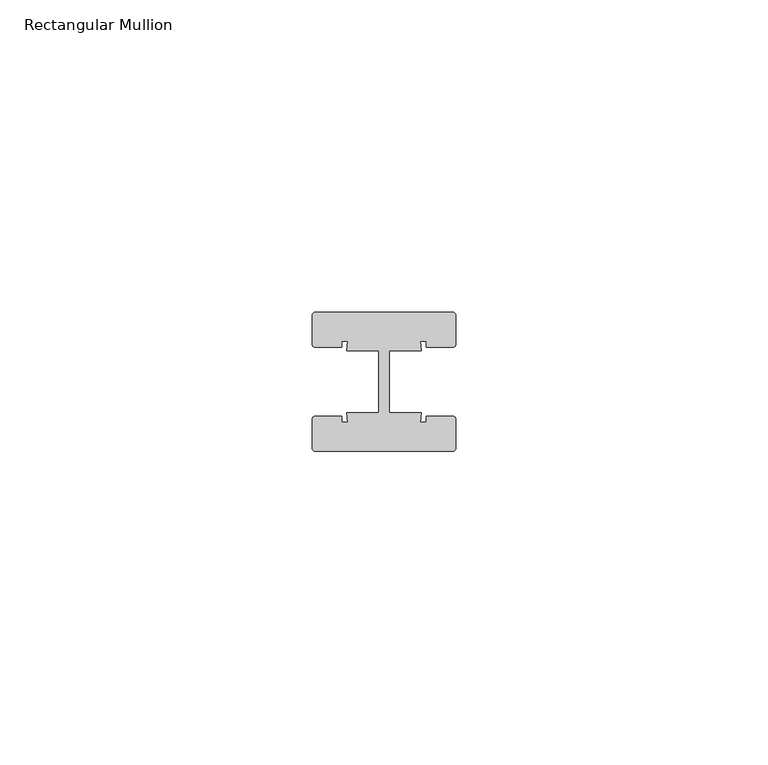
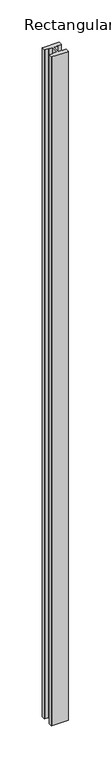
"""IFC4 building model written with IfcOpenShell, lengths in millimetres: member geometry, Rectangular Mullion."""

import ifcopenshell
import ifcopenshell.guid

model = None  # the IFC model being written
_history = None  # IfcOwnerHistory: only IFC2X3 demands one
_inside = {}  # id of a spatial element -> (the spatial element, [elements in it])
_under = {}  # id of a project, library or spatial element -> (it, [spatial elements below it])
_declared = {}  # id of a project -> (the project, [libraries it declares])
_typed = {}  # id of a type object -> (the type object, [elements of that type])
_made_of = {}  # id of a material, layer set ... -> (it, [elements and type objects made of it])


def new_model(schema):
    """Start an empty IFC model of exactly this schema.

    Asked for "IFC4X3", IfcOpenShell would pick the latest addendum, in which some entities
    have other attributes; the version numbers below select the first issue.
    IFC2X3 requires an IfcOwnerHistory on every rooted entity: one is made here for all.
    """
    global model, _history
    if schema == "IFC4X3":
        model = ifcopenshell.file(schema_version=(4, 3, 0, 0))
    else:
        model = ifcopenshell.file(schema=schema)
    _inside.clear()
    _under.clear()
    _declared.clear()
    _typed.clear()
    _made_of.clear()
    _history = None
    if model.schema == "IFC2X3":
        org = make("IfcOrganization", Name="unknown")
        user = make(
            "IfcPersonAndOrganization",
            ThePerson=make("IfcPerson", FamilyName="unknown"),
            TheOrganization=org,
        )
        app = make(
            "IfcApplication",
            ApplicationDeveloper=org,
            Version="unknown",
            ApplicationFullName="unknown",
            ApplicationIdentifier="unknown",
        )
        _history = make(
            "IfcOwnerHistory",
            OwningUser=user,
            OwningApplication=app,
            ChangeAction="ADDED",
            CreationDate=0,
        )
    return model


def make(cls, **values):
    """One entity of the class cls with the attributes given. An attribute that is None is left unset."""
    return model.create_entity(
        cls, **{name: value for name, value in values.items() if value is not None}
    )


def rooted(cls, **values):
    """An entity with a GlobalId (a new one), such as an element, a storey or a relation."""
    return make(cls, GlobalId=ifcopenshell.guid.new(), OwnerHistory=_history, **values)


def si_unit(unit_type, name, prefix=None):
    """IfcSIUnit, for example si_unit("LENGTHUNIT", "METRE", prefix="MILLI")."""
    return make("IfcSIUnit", UnitType=unit_type, Prefix=prefix, Name=name)


def assignment(units):
    """IfcUnitAssignment: the units of a project."""
    return None if units is None else make("IfcUnitAssignment", Units=units)


def point(xyz):
    """IfcCartesianPoint."""
    return None if xyz is None else make("IfcCartesianPoint", Coordinates=xyz)


def direction(xyz):
    """IfcDirection."""
    return None if xyz is None else make("IfcDirection", DirectionRatios=xyz)


def frame(location, z_axis=None, x_axis=None):
    """IfcAxis2Placement3D, a coordinate frame: its origin and axes. An axis left out is left unset."""
    return make(
        "IfcAxis2Placement3D",
        Location=point(location),
        Axis=direction(z_axis),
        RefDirection=direction(x_axis),
    )


def frame_2d(location, x_axis=None):
    """IfcAxis2Placement2D, a coordinate frame in the plane: its origin and x axis."""
    return make(
        "IfcAxis2Placement2D", Location=point(location), RefDirection=direction(x_axis)
    )


def origin():
    """The frame at (0, 0, 0) with its axes left unset."""
    return frame((0.0, 0.0, 0.0))


def place(relative_to, where):
    """IfcLocalPlacement: puts the frame where relative to a parent placement (None: the world)."""
    return make(
        "IfcLocalPlacement", PlacementRelTo=relative_to, RelativePlacement=where
    )


def context(
    kind, dimensions, precision=None, world=None, true_north=None, identifier=None
):
    """IfcGeometricRepresentationContext, for example the 3D "Model" context."""
    return make(
        "IfcGeometricRepresentationContext",
        ContextIdentifier=identifier,
        ContextType=kind,
        CoordinateSpaceDimension=dimensions,
        Precision=precision,
        WorldCoordinateSystem=world,
        TrueNorth=true_north,
    )


def project(units=None, contexts=None):
    """IfcProject with its units and contexts."""
    return rooted(
        "IfcProject",
        Name="project",
        RepresentationContexts=contexts,
        UnitsInContext=assignment(units),
    )


def spatial(cls, under=None, at=None, **own):
    """A site, building, storey or space (cls), placed at a placement, below another one or the project."""
    s = rooted(cls, ObjectPlacement=at, **own)
    if under is not None:
        _under.setdefault(under.id(), (under, []))[1].append(s)
    return s


def polyline(points):
    """IfcPolyline through the points."""
    return make("IfcPolyline", Points=[point(p) for p in points])


def circle_curve(where, radius):
    """IfcCircle in the frame where."""
    return make("IfcCircle", Position=where, Radius=radius)


def trimmed(basis, trim1, trim2, sense, master):
    """IfcTrimmedCurve: the piece of a basis curve between two trims."""
    return make(
        "IfcTrimmedCurve",
        BasisCurve=basis,
        Trim1=trim1,
        Trim2=trim2,
        SenseAgreement=sense,
        MasterRepresentation=master,
    )


def segment(curve, same_sense, transition):
    """IfcCompositeCurveSegment."""
    return make(
        "IfcCompositeCurveSegment",
        Transition=transition,
        SameSense=same_sense,
        ParentCurve=curve,
    )


def composite_curve(segments, self_intersect=None):
    """IfcCompositeCurve: segments joined end to end."""
    return make("IfcCompositeCurve", Segments=segments, SelfIntersect=self_intersect)


def outline(outer, holes=None, kind="AREA"):
    """IfcArbitraryClosedProfileDef: a profile drawn as a closed curve; with holes, ...WithVoids."""
    if holes is None:
        return make("IfcArbitraryClosedProfileDef", ProfileType=kind, OuterCurve=outer)
    return make(
        "IfcArbitraryProfileDefWithVoids",
        ProfileType=kind,
        OuterCurve=outer,
        InnerCurves=holes,
    )


def extrude(swept, where, along, depth):
    """IfcExtrudedAreaSolid: the profile swept, set in the frame where, extruded along a direction by depth."""
    return make(
        "IfcExtrudedAreaSolid",
        SweptArea=swept,
        Position=where,
        ExtrudedDirection=direction(along),
        Depth=depth,
    )


def shape(context_of_items, identifier, shape_type, items):
    """IfcShapeRepresentation: the items that make up one representation, for example the "Body"."""
    return make(
        "IfcShapeRepresentation",
        ContextOfItems=context_of_items,
        RepresentationIdentifier=identifier,
        RepresentationType=shape_type,
        Items=items,
    )


def source(mapping_origin, context_of_items, identifier, shape_type, items):
    """IfcRepresentationMap: a shape defined once, which mapped items show again and again."""
    return make(
        "IfcRepresentationMap",
        MappingOrigin=mapping_origin,
        MappedRepresentation=shape(context_of_items, identifier, shape_type, items),
    )


def transform(
    local_origin,
    x_axis=None,
    y_axis=None,
    z_axis=None,
    scale=None,
    scale2=None,
    scale3=None,
    uniform=True,
):
    """IfcCartesianTransformationOperator3D, or its non-uniform kind. x_axis, y_axis, z_axis: its Axis1, 2, 3."""
    if uniform:
        return make(
            "IfcCartesianTransformationOperator3D",
            Axis1=direction(x_axis),
            Axis2=direction(y_axis),
            LocalOrigin=point(local_origin),
            Scale=scale,
            Axis3=direction(z_axis),
        )
    return make(
        "IfcCartesianTransformationOperator3DnonUniform",
        Axis1=direction(x_axis),
        Axis2=direction(y_axis),
        LocalOrigin=point(local_origin),
        Scale=scale,
        Axis3=direction(z_axis),
        Scale2=scale2,
        Scale3=scale3,
    )


def mapped(mapping_source, mapping_target):
    """IfcMappedItem: shows the shape of a source again, moved by a transform."""
    return make(
        "IfcMappedItem", MappingSource=mapping_source, MappingTarget=mapping_target
    )


def made_of(thing, what):
    """Note that an element or type object is made of a material, layer set ...; save() writes the relation."""
    if what is not None:
        _made_of.setdefault(what.id(), (what, []))[1].append(thing)
    return thing


def element(
    cls,
    number,
    at=None,
    inside=None,
    cuts=None,
    type_object=None,
    material=None,
    context=None,
    identifier="Body",
    shape_type=None,
    held_by="IfcProductDefinitionShape",
    body=None,
    shapes=None,
    **own,
):
    """One element of the class cls, such as IfcWall. Its Tag is "e" and its number.

    at: its placement. inside: the storey or other place that contains it. cuts: it is an
    opening in that element (IfcRelVoidsElement). A single representation is given by context,
    identifier, shape_type and body (its items); several are given by shapes. held_by: the class
    of the entity that holds the representations. save() writes the other relations.
    """
    e = rooted(cls, Tag="e%d" % number, ObjectPlacement=at, **own)
    if body is not None:
        shapes = [shape(context, identifier, shape_type, body)]
    if shapes is not None:
        e.Representation = make(held_by, Representations=shapes)
    if inside is not None:
        _inside.setdefault(inside.id(), (inside, []))[1].append(e)
    if cuts is not None:
        rooted(
            "IfcRelVoidsElement", RelatingBuildingElement=cuts, RelatedOpeningElement=e
        )
    if type_object is not None:
        _typed.setdefault(type_object.id(), (type_object, []))[1].append(e)
    return made_of(e, material)


def aggregate(whole, parts):
    """IfcRelAggregates: a whole, such as a stair, and the parts it consists of."""
    return rooted("IfcRelAggregates", RelatingObject=whole, RelatedObjects=parts)


def save(model, path):
    """Write the relations noted so far, then the file.

    IfcRelAggregates (storeys below a building ...), IfcRelContainedInSpatialStructure (elements
    in a storey), IfcRelDefinesByType, IfcRelAssociatesMaterial and IfcRelDeclares: one each for
    every whole, place, type object, material and project.
    """
    for whole, parts in _under.values():
        aggregate(whole, parts)
    for where, things in _inside.values():
        rooted(
            "IfcRelContainedInSpatialStructure",
            RelatedElements=things,
            RelatingStructure=where,
        )
    for kind, things in _typed.values():
        rooted("IfcRelDefinesByType", RelatedObjects=things, RelatingType=kind)
    for what, things in _made_of.values():
        rooted("IfcRelAssociatesMaterial", RelatedObjects=things, RelatingMaterial=what)
    for by, libraries in _declared.values():
        rooted("IfcRelDeclares", RelatingContext=by, RelatedDefinitions=libraries)
    model.write(path)


def rectangular_mullion_848a4ec3(model_context):
    return source(origin(), model_context, "Body", "SweptSolid", [
        extrude(outline(composite_curve([segment(trimmed(circle_curve(frame_2d((-11.0, 10.64)), 0.5), [point((-11.5, 10.64))], [point((-11.0, 11.14))], False, "CARTESIAN"), True, "CONTINUOUS"), segment(polyline([(-11.0, 11.14), (11.0, 11.14)]), True, "CONTINUOUS"), segment(trimmed(circle_curve(frame_2d((11.0, 10.64)), 0.5), [point((11.0, 11.14))], [point((11.5, 10.64))], False, "CARTESIAN"), True, "CONTINUOUS"), segment(polyline([(11.5, 10.64), (11.5, 6.0)]), True, "CONTINUOUS"), segment(trimmed(circle_curve(frame_2d((11.0, 6.0)), 0.5), [point((11.5, 6.0))], [point((11.0, 5.5))], False, "CARTESIAN"), True, "CONTINUOUS"), segment(polyline([(11.0, 5.5), (6.75, 5.5), (6.75, 6.5), (5.7984177, 6.5), (6.0, 5.0), (0.840625, 5.0), (0.840625, -5.0), (6.0, -5.0), (5.7984177, -6.5), (6.75, -6.5), (6.75, -5.5), (11.0, -5.5)]), True, "CONTINUOUS"), segment(trimmed(circle_curve(frame_2d((11.0, -6.0)), 0.5), [point((11.0, -5.5))], [point((11.5, -6.0))], False, "CARTESIAN"), True, "CONTINUOUS"), segment(polyline([(11.5, -6.0), (11.5, -10.64)]), True, "CONTINUOUS"), segment(trimmed(circle_curve(frame_2d((11.0, -10.64)), 0.5), [point((11.5, -10.64))], [point((11.0, -11.14))], False, "CARTESIAN"), True, "CONTINUOUS"), segment(polyline([(11.0, -11.14), (-11.0, -11.14)]), True, "CONTINUOUS"), segment(trimmed(circle_curve(frame_2d((-11.0, -10.64)), 0.5), [point((-11.0, -11.14))], [point((-11.5, -10.64))], False, "CARTESIAN"), True, "CONTINUOUS"), segment(polyline([(-11.5, -10.64), (-11.5, -6.0)]), True, "CONTINUOUS"), segment(trimmed(circle_curve(frame_2d((-11.0, -6.0)), 0.5), [point((-11.5, -6.0))], [point((-11.0, -5.5))], False, "CARTESIAN"), True, "CONTINUOUS"), segment(polyline([(-11.0, -5.5), (-6.75, -5.5), (-6.75, -6.5), (-5.7984177, -6.5), (-6.0, -5.0), (-0.840625, -5.0), (-0.840625, 5.0), (-6.0, 5.0), (-5.7984177, 6.5), (-6.75, 6.5), (-6.75, 5.5), (-11.0, 5.5)]), True, "CONTINUOUS"), segment(trimmed(circle_curve(frame_2d((-11.0, 6.0)), 0.5), [point((-11.0, 5.5))], [point((-11.5, 6.0))], False, "CARTESIAN"), True, "CONTINUOUS"), segment(polyline([(-11.5, 6.0), (-11.5, 10.64)]), True, "CONTINUOUS")], self_intersect=False)), frame((0.0, 0.0, -967.6), z_axis=(0.0, 0.0, 1.0), x_axis=(1.0, 0.0, 0.0)), (0.0, 0.0, 1.0), 967.6),
    ])


if __name__ == "__main__":
    model = new_model("IFC4")
    model_context = context("Model", 3, world=origin())
    ifc_project = project(units=[si_unit("LENGTHUNIT", "METRE", prefix="MILLI")], contexts=[model_context])
    site = spatial("IfcSite", under=ifc_project)
    building = spatial("IfcBuilding", under=site)
    placement = place(None, origin())
    rectangular_mullion_shape = rectangular_mullion_848a4ec3(model_context)
    element("IfcMember", 1, ObjectType="Rectangular Mullion", at=placement, inside=building, context=model_context, shape_type="MappedRepresentation", body=[
        mapped(rectangular_mullion_shape, transform((0.0, 0.0, 0.0), x_axis=(1.0, 0.0, 0.0), y_axis=(0.0, 1.0, 0.0), z_axis=(0.0, 0.0, 1.0))),
    ])
    save(model, "model.ifc")
